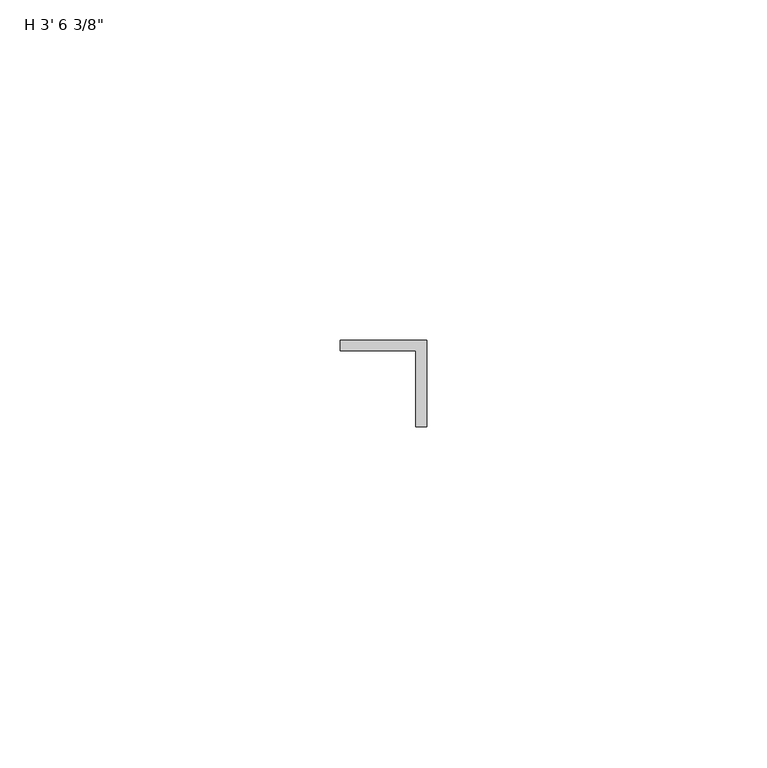
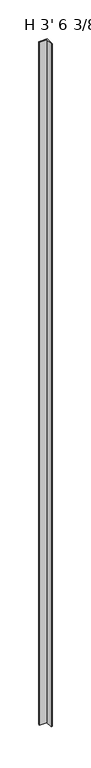
"""IFC4 building model written with IfcOpenShell, lengths in millimetres: proxy geometry."""

from ifc_helpers import new_model, si_unit, origin, origin_with_axes, place, context, project, spatial, polyline, outline, extrude, source, transform, mapped, element, save


def proxy_3fdfca83(model_context):
    return source(origin(), model_context, "Body", "SweptSolid", [
        extrude(outline(polyline([(12.7, 12.7), (12.7, 0.0), (11.1125, 0.0), (11.1125, 11.1125), (0.0, 11.1125), (0.0, 12.7), (12.7, 12.7)])), origin_with_axes(), (0.0, 0.0, 1.0), 1076.325),
    ])


if __name__ == "__main__":
    model = new_model("IFC4")
    model_context = context("Model", 3, world=origin())
    ifc_project = project(units=[si_unit("LENGTHUNIT", "METRE", prefix="MILLI")], contexts=[model_context])
    site = spatial("IfcSite", under=ifc_project)
    building = spatial("IfcBuilding", under=site)
    placement = place(None, origin())
    proxy_shape = proxy_3fdfca83(model_context)
    element("IfcBuildingElementProxy", 1, Name="H 3' 6 3/8\"", ObjectType="H 3' 6 3/8\"", at=placement, inside=building, context=model_context, shape_type="MappedRepresentation", body=[
        mapped(proxy_shape, transform((0.0, 0.0, 0.0), x_axis=(1.0, 0.0, 0.0), y_axis=(0.0, 1.0, 0.0), z_axis=(0.0, 0.0, 1.0))),
    ])
    save(model, "model.ifc")
